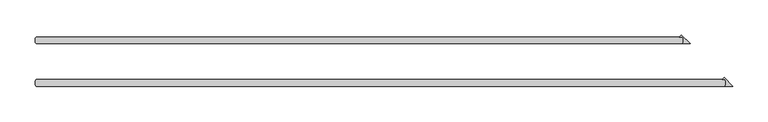
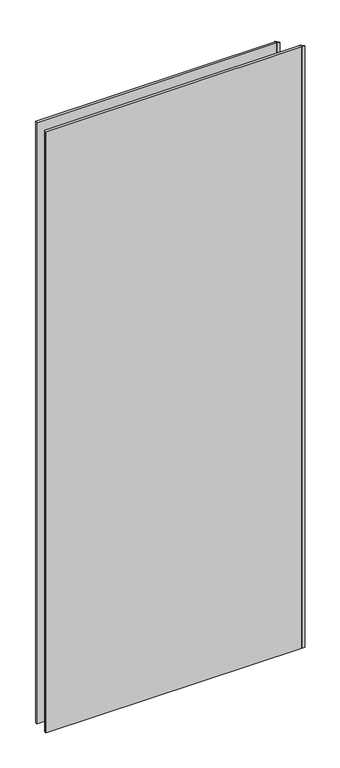
"""IFC4 building model written with IfcOpenShell, lengths in millimetres: plate geometry."""

from ifc_helpers import new_model, si_unit, origin, origin_with_axes, place, context, project, spatial, polyline, outline, extrude, source, transform, mapped, element, save


def plate_90fa6636(model_context):
    return source(origin(), model_context, "Body", "SweptSolid", [
        extrude(outline(polyline([(501.253125, -33.3375), (501.253125, -26.9875), (499.665625, -25.4), (495.833061, -25.4), (498.543093, -22.689968), (510.778125, -34.925), (499.665625, -34.925), (501.253125, -33.3375)])), origin_with_axes(), (0.0, 0.0, 1.0), 2417.7625023),
        extrude(outline(polyline([(440.928125, 26.9875), (440.928125, 33.3375), (439.340625, 34.925), (435.508061, 34.925), (438.218093, 37.635032), (450.453125, 25.4), (439.340625, 25.4), (440.928125, 26.9875)])), origin_with_axes(), (0.0, 0.0, 1.0), 2417.7625023),
        extrude(outline(polyline([(439.340625, 25.4), (-474.265625, 25.4), (-475.853125, 26.9875), (-475.853125, 33.3375), (-474.265625, 34.925), (439.340625, 34.925), (440.928125, 33.3375), (440.928125, 26.9875), (439.340625, 25.4)])), origin_with_axes(), (0.0, 0.0, 1.0), 2417.7625023),
        extrude(outline(polyline([(499.665625, -34.925), (-474.265625, -34.925), (-475.853125, -33.3375), (-475.853125, -26.9875), (-474.265625, -25.4), (499.665625, -25.4), (501.253125, -26.9875), (501.253125, -33.3375), (499.665625, -34.925)])), origin_with_axes(), (0.0, 0.0, 1.0), 2417.7625023),
    ])


if __name__ == "__main__":
    model = new_model("IFC4")
    model_context = context("Model", 3, world=origin())
    ifc_project = project(units=[si_unit("LENGTHUNIT", "METRE", prefix="MILLI")], contexts=[model_context])
    site = spatial("IfcSite", under=ifc_project)
    building = spatial("IfcBuilding", under=site)
    placement = place(None, origin())
    plate_shape = plate_90fa6636(model_context)
    element("IfcPlate", 1, at=placement, inside=building, context=model_context, shape_type="MappedRepresentation", body=[
        mapped(plate_shape, transform((0.0, 0.0, 0.0), x_axis=(1.0, 0.0, 0.0), y_axis=(0.0, 1.0, 0.0), z_axis=(0.0, 0.0, 1.0))),
    ])
    save(model, "model.ifc")
